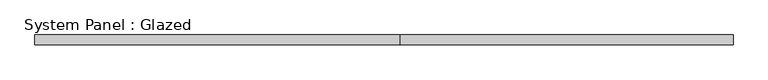
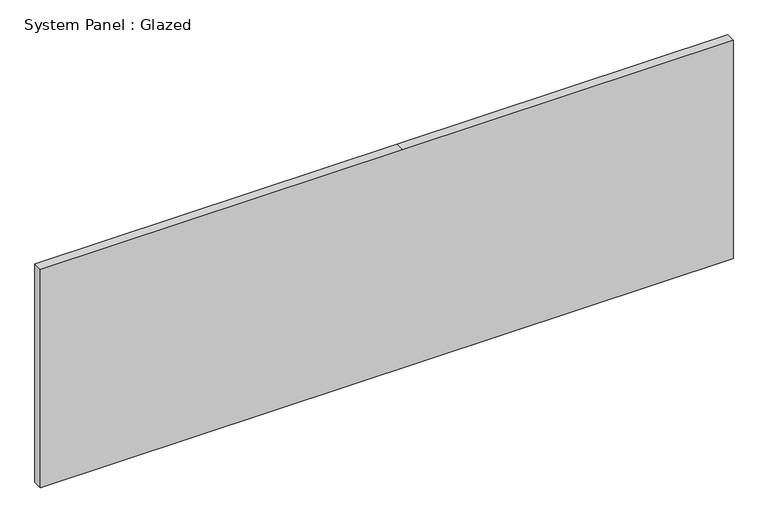
"""IFC4 building model written with IfcOpenShell, lengths in millimetres: plate geometry, System Panel : Glazed."""

from ifc_helpers import new_model, si_unit, frame, origin, place, context, project, spatial, polyline, outline, extrude, source, transform, mapped, element, save


def system_panel_glazed_61018319(model_context):
    return source(origin(), model_context, "Body", "SweptSolid", [
        extrude(outline(polyline([(0.0, -914.4), (0.0, 914.4), (609.6, 914.4), (609.6, 42.2470041), (609.6, -914.4), (0.0, -914.4)])), frame((0.0, 19.05, 0.0), z_axis=(0.0, 1.0, 0.0), x_axis=(0.0, 0.0, 1.0)), (0.0, 0.0, 1.0), 25.4),
    ])


if __name__ == "__main__":
    model = new_model("IFC4")
    model_context = context("Model", 3, world=origin())
    ifc_project = project(units=[si_unit("LENGTHUNIT", "METRE", prefix="MILLI")], contexts=[model_context])
    site = spatial("IfcSite", under=ifc_project)
    building = spatial("IfcBuilding", under=site)
    placement = place(None, origin())
    system_panel_glazed_shape = system_panel_glazed_61018319(model_context)
    element("IfcPlate", 1, ObjectType="System Panel : Glazed", at=placement, inside=building, context=model_context, shape_type="MappedRepresentation", body=[
        mapped(system_panel_glazed_shape, transform((0.0, 0.0, 0.0), x_axis=(1.0, 0.0, 0.0), y_axis=(0.0, 1.0, 0.0), z_axis=(0.0, 0.0, 1.0))),
    ])
    save(model, "model.ifc")
